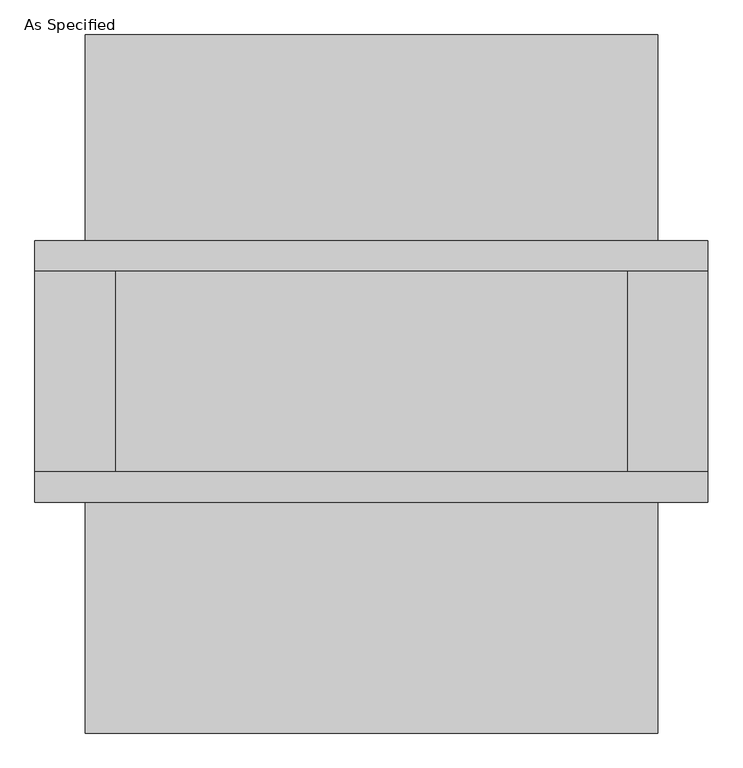
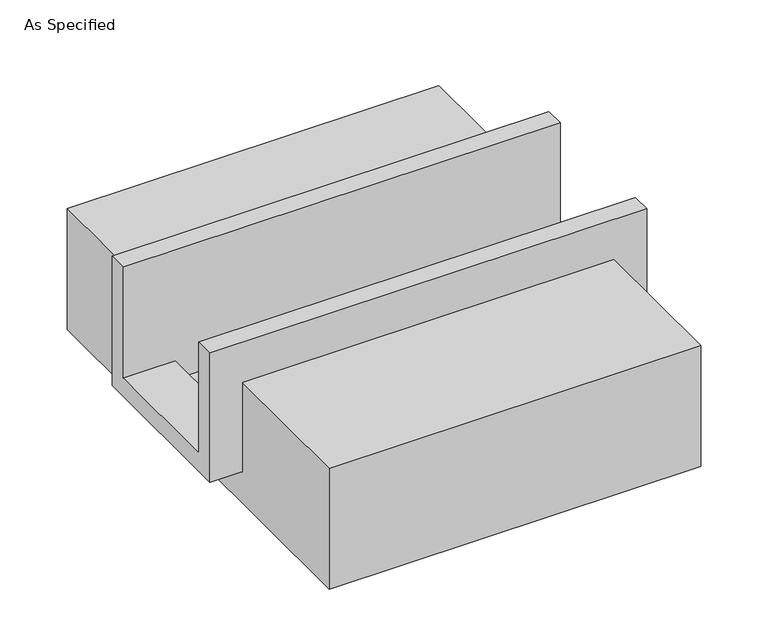
"""IFC4 building model written with IfcOpenShell, lengths in millimetres: proxy geometry, As Specified."""

from ifc_helpers import new_model, si_unit, frame, origin, place, context, project, spatial, polyline, outline, extrude, faceted_brep, source, transform, mapped, element, save


def as_specified_6da2ebb7(model_context):
    return source(origin(), model_context, "Body", "SolidModel", [
        faceted_brep([(-850.9, 285.75, 139.7), (-850.9, 361.95, 139.7), (-850.9, 361.95, -393.7), (-850.9, -298.45, -393.7), (-850.9, -298.45, 139.7), (-850.9, -222.25, 139.7), (-850.9, -222.25, -317.5), (-850.9, 285.75, -317.5), (850.9, 285.75, 139.7), (850.9, 285.75, -317.5), (850.9, -222.25, -317.5), (850.9, -222.25, 139.7), (850.9, -298.45, 139.7), (850.9, -298.45, -393.7), (850.9, 361.95, -393.7), (850.9, 361.95, 139.7), (647.7, -222.25, -393.7), (647.7, 285.75, -393.7), (-647.7, 285.75, -393.7), (-647.7, -222.25, -393.7), (647.7, -222.25, -317.5), (-647.7, -222.25, -317.5), (-647.7, 285.75, -317.5), (647.7, 285.75, -317.5)], [[[0, 1, 2, 3, 4, 5, 6, 7]], [[8, 9, 10, 11, 12, 13, 14, 15]], [[1, 0, 8, 15]], [[2, 1, 15, 14]], [[3, 2, 14, 13], [16, 17, 18, 19]], [[4, 3, 13, 12]], [[5, 4, 12, 11]], [[6, 5, 11, 10, 20, 16, 19, 21]], [[7, 6, 21, 22]], [[10, 9, 23, 20]], [[0, 7, 22, 18, 17, 23, 9, 8]], [[16, 20, 23, 17]], [[21, 19, 18, 22]]]),
        extrude(outline(polyline([(882.65, -25.4), (882.65, -523.9742188), (-882.65, -523.9742188), (-882.65, -25.4), (-298.45, -25.4), (-298.45, -393.7), (361.95, -393.7), (361.95, -25.4), (882.65, -25.4)])), frame((-723.9, 0.0, 0.0), z_axis=(1.0, 0.0, 0.0), x_axis=(0.0, 1.0, 0.0)), (0.0, 0.0, 1.0), 1447.8),
    ])


if __name__ == "__main__":
    model = new_model("IFC4")
    model_context = context("Model", 3, world=origin())
    ifc_project = project(units=[si_unit("LENGTHUNIT", "METRE", prefix="MILLI")], contexts=[model_context])
    site = spatial("IfcSite", under=ifc_project)
    building = spatial("IfcBuilding", under=site)
    placement = place(None, origin())
    as_specified_shape = as_specified_6da2ebb7(model_context)
    element("IfcBuildingElementProxy", 1, Name="As Specified", ObjectType="As Specified", at=placement, inside=building, context=model_context, shape_type="MappedRepresentation", body=[
        mapped(as_specified_shape, transform((0.0, 0.0, 0.0), x_axis=(1.0, 0.0, 0.0), y_axis=(0.0, 1.0, 0.0), z_axis=(0.0, 0.0, 1.0))),
    ])
    save(model, "model.ifc")
